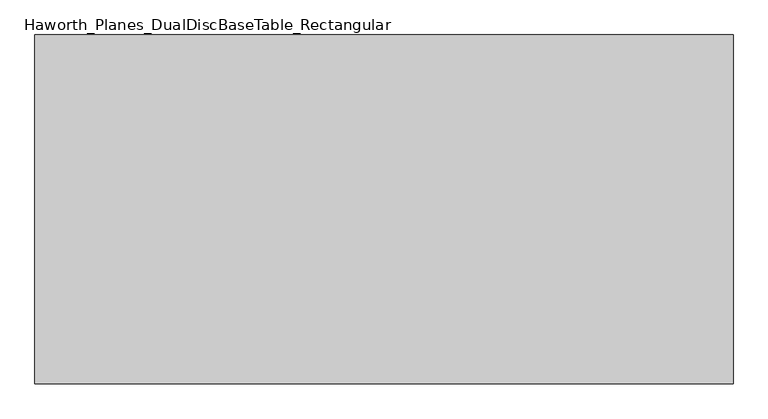
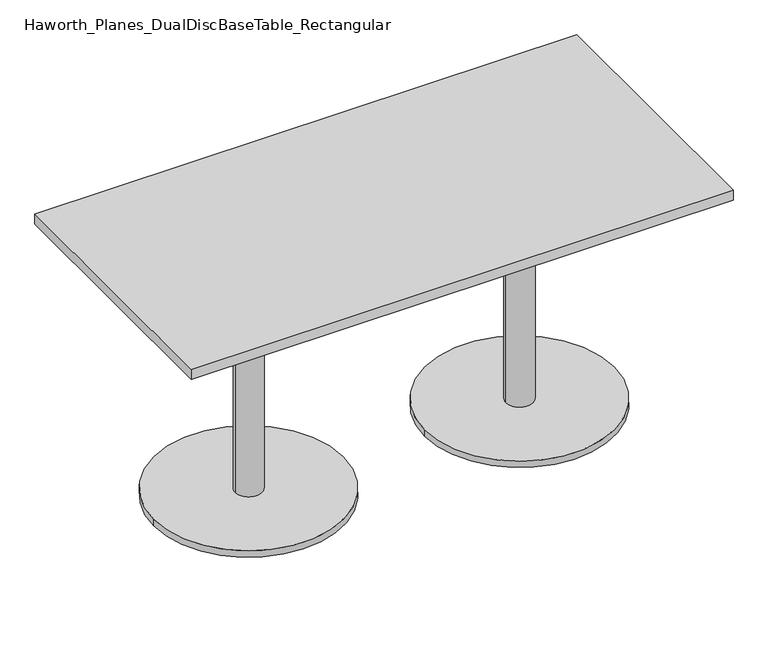
"""IFC4 building model written with IfcOpenShell, lengths in millimetres: furniture geometry, Haworth_Planes_DualDiscBaseTable_Rectangular."""

from ifc_helpers import new_model, si_unit, point, frame, frame_2d, origin, origin_with_axes, place, context, project, spatial, polyline, circle_curve, trimmed, segment, composite_curve, outline, extrude, source, transform, mapped, element, save


def haworth_planes_dualdiscbasetable_rectangular_6e4f578c(model_context):
    return source(origin(), model_context, "Body", "SweptSolid", [
        extrude(outline(polyline([(517.525, -136.525), (244.475, -136.525), (244.475, 136.525), (517.525, 136.525), (517.525, -136.525)])), frame((0.0, 0.0, 700.0875), z_axis=(0.0, 0.0, 1.0), x_axis=(1.0, 0.0, 0.0)), (0.0, 0.0, 1.0), 6.35),
        extrude(outline(composite_curve([segment(trimmed(circle_curve(frame_2d((381.0, 0.0)), 266.7), [point((114.3, 0.0))], [point((647.7, 0.0))], False, "CARTESIAN"), True, "CONTINUOUS"), segment(trimmed(circle_curve(frame_2d((381.0, 0.0)), 266.7), [point((647.7, 0.0))], [point((114.3, 0.0))], False, "CARTESIAN"), True, "CONTINUOUS")], self_intersect=False)), origin_with_axes(), (0.0, 0.0, 1.0), 19.05),
        extrude(outline(composite_curve([segment(trimmed(circle_curve(frame_2d((381.0, 0.0)), 38.1), [point((342.9, 0.0))], [point((419.1, 0.0))], False, "CARTESIAN"), True, "CONTINUOUS"), segment(trimmed(circle_curve(frame_2d((381.0, 0.0)), 38.1), [point((419.1, 0.0))], [point((342.9, 0.0))], False, "CARTESIAN"), True, "CONTINUOUS")], self_intersect=False)), frame((0.0, 0.0, 19.05), z_axis=(0.0, 0.0, 1.0), x_axis=(1.0, 0.0, 0.0)), (0.0, 0.0, 1.0), 681.0375),
        extrude(outline(polyline([(-244.475, -136.525), (-517.525, -136.525), (-517.525, 136.525), (-244.475, 136.525), (-244.475, -136.525)])), frame((0.0, 0.0, 700.0875), z_axis=(0.0, 0.0, 1.0), x_axis=(1.0, 0.0, 0.0)), (0.0, 0.0, 1.0), 6.35),
        extrude(outline(composite_curve([segment(trimmed(circle_curve(frame_2d((-381.0, 0.0)), 266.7), [point((-647.7, 0.0))], [point((-114.3, 0.0))], False, "CARTESIAN"), True, "CONTINUOUS"), segment(trimmed(circle_curve(frame_2d((-381.0, 0.0)), 266.7), [point((-114.3, 0.0))], [point((-647.7, 0.0))], False, "CARTESIAN"), True, "CONTINUOUS")], self_intersect=False)), origin_with_axes(), (0.0, 0.0, 1.0), 19.05),
        extrude(outline(composite_curve([segment(trimmed(circle_curve(frame_2d((-381.0, 0.0)), 38.1), [point((-419.1, 0.0))], [point((-342.9, 0.0))], False, "CARTESIAN"), True, "CONTINUOUS"), segment(trimmed(circle_curve(frame_2d((-381.0, 0.0)), 38.1), [point((-342.9, 0.0))], [point((-419.1, 0.0))], False, "CARTESIAN"), True, "CONTINUOUS")], self_intersect=False)), frame((0.0, 0.0, 19.05), z_axis=(0.0, 0.0, 1.0), x_axis=(1.0, 0.0, 0.0)), (0.0, 0.0, 1.0), 681.0375),
        extrude(outline(polyline([(762.0, 381.0), (762.0, -381.0), (-762.0, -381.0), (-762.0, 381.0), (762.0, 381.0)])), frame((0.0, 0.0, 706.4375), z_axis=(0.0, 0.0, 1.0), x_axis=(1.0, 0.0, 0.0)), (0.0, 0.0, 1.0), 30.1625),
    ])


if __name__ == "__main__":
    model = new_model("IFC4")
    model_context = context("Model", 3, world=origin())
    ifc_project = project(units=[si_unit("LENGTHUNIT", "METRE", prefix="MILLI")], contexts=[model_context])
    site = spatial("IfcSite", under=ifc_project)
    building = spatial("IfcBuilding", under=site)
    placement = place(None, origin())
    haworth_planes_dualdiscbasetable_rectangular_shape = haworth_planes_dualdiscbasetable_rectangular_6e4f578c(model_context)
    element("IfcFurniture", 1, ObjectType="Haworth_Planes_DualDiscBaseTable_Rectangular", at=placement, inside=building, context=model_context, shape_type="MappedRepresentation", body=[
        mapped(haworth_planes_dualdiscbasetable_rectangular_shape, transform((0.0, 0.0, 0.0), x_axis=(1.0, 0.0, 0.0), y_axis=(0.0, 1.0, 0.0), z_axis=(0.0, 0.0, 1.0))),
    ])
    save(model, "model.ifc")
